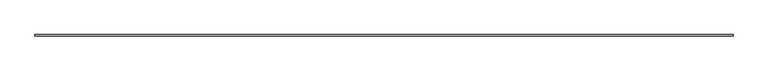
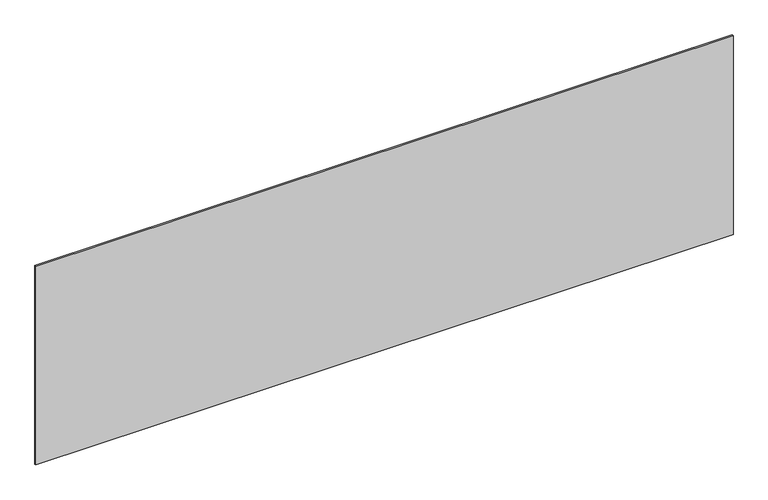
"""IFC4 building model written with IfcOpenShell, lengths in millimetres: plate geometry."""

from ifc_helpers import new_model, si_unit, origin, origin_with_axes, place, context, project, spatial, polyline, outline, extrude, source, transform, mapped, element, save


def plate_ab8d81fc(model_context):
    return source(origin(), model_context, "Body", "SweptSolid", [
        extrude(outline(polyline([(2206.6666667, -5.0), (-2206.6666667, -5.0), (-2206.6666667, 5.0), (2206.6666667, 5.0), (2206.6666667, -5.0)])), origin_with_axes(), (0.0, 0.0, 1.0), 1329.6791609),
    ])


if __name__ == "__main__":
    model = new_model("IFC4")
    model_context = context("Model", 3, world=origin())
    ifc_project = project(units=[si_unit("LENGTHUNIT", "METRE", prefix="MILLI")], contexts=[model_context])
    site = spatial("IfcSite", under=ifc_project)
    building = spatial("IfcBuilding", under=site)
    placement = place(None, origin())
    plate_shape = plate_ab8d81fc(model_context)
    element("IfcPlate", 1, at=placement, inside=building, context=model_context, shape_type="MappedRepresentation", body=[
        mapped(plate_shape, transform((0.0, 0.0, 0.0), x_axis=(1.0, 0.0, 0.0), y_axis=(0.0, 1.0, 0.0), z_axis=(0.0, 0.0, 1.0))),
    ])
    save(model, "model.ifc")
